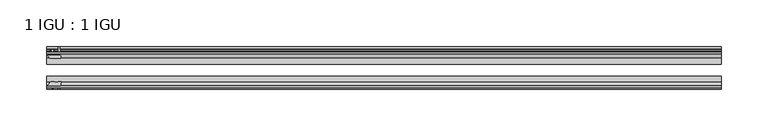
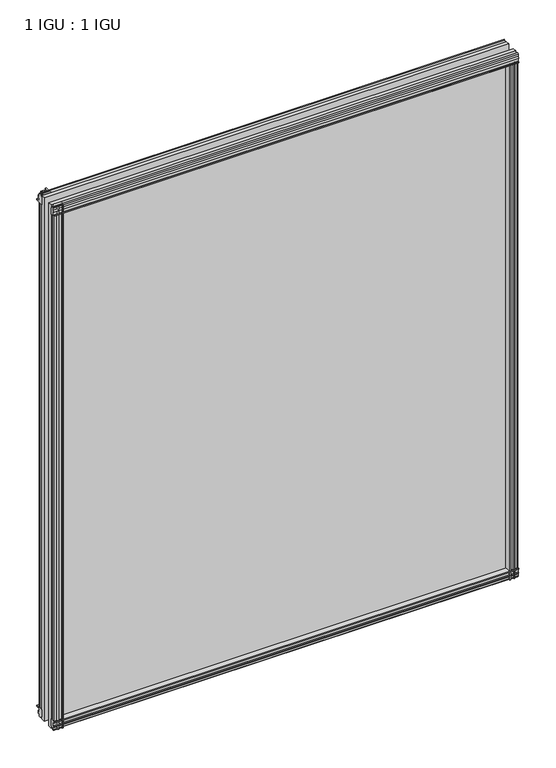
"""IFC4 building model written with IfcOpenShell, lengths in millimetres: plate geometry, 1 IGU : 1 IGU."""

from ifc_helpers import new_model, si_unit, point, frame, frame_2d, origin, place, context, project, spatial, polyline, circle_curve, trimmed, segment, composite_curve, outline, extrude, source, transform, mapped, element, save


def plate_1_igu_1_igu_87fe4c95(model_context):
    return source(origin(), model_context, "Body", "SweptSolid", [
        extrude(outline(polyline([(-24.9039062, 2.5763839), (-12.2039062, 1.5739665), (-12.2039062, 0.0), (-18.5539062, 0.0), (-18.5539062, -4.953), (-16.254502, -5.5691235), (-16.6301757, -4.1670901), (-15.7714677, -3.937), (-15.1249062, -6.35), (-15.7714677, -8.763), (-16.6301757, -8.5329099), (-16.254502, -7.1308765), (-18.5539062, -7.747), (-18.5539062, -12.7), (-20.5859062, -12.7), (-24.9039062, -9.1036931), (-24.9039062, 2.5763839)])), frame((-361.95, 0.0, 0.0), z_axis=(1.0, 0.0, 0.0), x_axis=(0.0, 1.0, 0.0)), (0.0, 0.0, 1.0), 725.5867187),
        extrude(outline(composite_curve([segment(polyline([(-58.2287402, 1.5687054), (-50.3039062, 3.0983599), (-50.3039062, -7.92383), (-54.4858806, -12.1058044)]), True, "CONTINUOUS"), segment(trimmed(circle_curve(frame_2d((-55.3839062, -11.2077788)), 1.27), [point((-54.4858806, -12.1058044))], [point((-56.6539062, -11.2077788))], False, "CARTESIAN"), True, "CONTINUOUS"), segment(polyline([(-56.6539062, -11.2077788), (-56.6539062, -8.0327788), (-58.1332022, -5.4488186), (-56.6539062, -5.1879788), (-56.6539062, 0.2222212), (-58.2287402, 0.0), (-58.2287402, 1.5687054)]), True, "CONTINUOUS")], self_intersect=False)), frame((-361.95, 0.0, 0.0), z_axis=(1.0, 0.0, 0.0), x_axis=(0.0, 1.0, 0.0)), (0.0, 0.0, 1.0), 725.5867187),
        extrude(outline(polyline([(-18.5539063, 845.956525), (-16.254502, 845.3404015), (-16.6301757, 846.7424349), (-15.7714677, 846.972525), (-15.1249063, 844.559525), (-15.7714677, 842.146525), (-16.6301757, 842.3766151), (-16.254502, 843.7786485), (-18.5539063, 843.162525), (-18.5539063, 838.209525), (-12.2039062, 838.209525), (-12.2039062, 836.6355584), (-24.9039063, 835.6331411), (-24.9039063, 847.3132181), (-20.5859063, 850.909525), (-18.5539063, 850.909525), (-18.5539063, 845.956525)])), frame((-361.95, 0.0, 0.0), z_axis=(1.0, 0.0, 0.0), x_axis=(0.0, 1.0, 0.0)), (0.0, 0.0, 1.0), 725.5867187),
        extrude(outline(composite_curve([segment(polyline([(-50.3039063, 846.133355), (-50.3039063, 835.1111651), (-58.2287402, 836.6408196), (-58.2287402, 838.209525), (-56.6539063, 837.9873038), (-56.6539063, 843.3975038), (-58.1332023, 843.6583436), (-56.6539063, 846.2423038), (-56.6539063, 849.4173038)]), True, "CONTINUOUS"), segment(trimmed(circle_curve(frame_2d((-55.3839063, 849.4173038)), 1.27), [point((-56.6539063, 849.4173038))], [point((-54.4858806, 850.3153294))], False, "CARTESIAN"), True, "CONTINUOUS"), segment(polyline([(-54.4858806, 850.3153294), (-50.3039063, 846.133355)]), True, "CONTINUOUS")], self_intersect=False)), frame((-361.95, 0.0, 0.0), z_axis=(1.0, 0.0, 0.0), x_axis=(0.0, 1.0, 0.0)), (0.0, 0.0, 1.0), 725.5867187),
        extrude(outline(composite_curve([segment(polyline([(349.2056747, -57.3876965), (347.8383588, -50.3039063), (358.8605488, -50.3039063), (363.0425232, -54.4858806)]), True, "CONTINUOUS"), segment(trimmed(circle_curve(frame_2d((362.1444975, -55.3839063)), 1.27), [point((363.0425232, -54.4858806))], [point((362.1444975, -56.6539063))], False, "CARTESIAN"), True, "CONTINUOUS"), segment(polyline([(362.1444975, -56.6539063), (358.9694975, -56.6539063), (356.3855373, -58.1332023), (356.1246975, -56.6539063), (350.7144975, -56.6539063), (350.9367187, -58.2287402), (349.972398, -58.2014026)]), True, "CONTINUOUS"), segment(trimmed(circle_curve(frame_2d((350.2064975, -57.2127402)), 1.016), [point((349.972398, -58.2014026))], [point((349.2056747, -57.3876965))], False, "CARTESIAN"), True, "CONTINUOUS")], self_intersect=False)), frame((0.0, 0.0, -12.7), z_axis=(0.0, 0.0, 1.0), x_axis=(1.0, 0.0, 0.0)), (0.0, 0.0, 1.0), 851.3064),
        extrude(outline(polyline([(355.8897187, -18.5539063), (356.5058423, -16.254502), (355.1038089, -16.6301757), (354.8737187, -15.7714677), (357.2867187, -15.1249063), (359.6997187, -15.7714677), (359.4696286, -16.6301757), (358.0675952, -16.254502), (358.6837187, -18.5539063), (363.6367187, -18.5539063), (363.6367187, -20.5859063), (360.0404118, -24.9039063), (348.3603348, -24.9039063), (349.3627522, -12.2039063), (350.9367187, -12.2039063), (350.9367187, -18.5539063), (355.8897187, -18.5539063)])), frame((0.0, 0.0, -12.7), z_axis=(0.0, 0.0, 1.0), x_axis=(1.0, 0.0, 0.0)), (0.0, 0.0, 1.0), 851.3064),
        extrude(outline(composite_curve([segment(polyline([(-357.2827788, -56.6539062), (-360.4577788, -56.6539062)]), True, "CONTINUOUS"), segment(trimmed(circle_curve(frame_2d((-360.4577788, -55.3839062)), 1.27), [point((-360.4577788, -56.6539062))], [point((-361.3558044, -54.4858806))], False, "CARTESIAN"), True, "CONTINUOUS"), segment(polyline([(-361.3558044, -54.4858806), (-357.17383, -50.3039062), (-353.5042845, -50.3039062)]), True, "CONTINUOUS"), segment(trimmed(circle_curve(frame_2d((-351.4407788, -46.3669062)), 4.445), [point((-353.5042845, -50.3039062))], [point((-349.377273, -50.3039062))], True, "CARTESIAN"), True, "CONTINUOUS"), segment(polyline([(-349.377273, -50.3039062), (-346.1516401, -50.3039062), (-347.6812946, -58.2287402), (-349.25, -58.2287402), (-349.0277788, -56.6539062), (-354.4379788, -56.6539062), (-354.6988186, -58.1332022), (-357.2827788, -56.6539062)]), True, "CONTINUOUS")], self_intersect=False)), frame((0.0, 0.0, -12.7), z_axis=(0.0, 0.0, 1.0), x_axis=(1.0, 0.0, 0.0)), (0.0, 0.0, 1.0), 863.609525),
        extrude(outline(polyline([(-346.6736161, -24.9039062), (-358.3536931, -24.9039062), (-361.95, -20.5859062), (-361.95, -18.5539062), (-356.997, -18.5539062), (-356.3808765, -16.254502), (-357.7829099, -16.6301757), (-358.013, -15.7714677), (-355.6, -15.1249062), (-353.187, -15.7714677), (-353.4170901, -16.6301757), (-354.8191235, -16.254502), (-354.203, -18.5539062), (-349.25, -18.5539062), (-349.25, -12.2039062), (-347.6760335, -12.2039062), (-346.6736161, -24.9039062)])), frame((0.0, 0.0, -12.7), z_axis=(0.0, 0.0, 1.0), x_axis=(1.0, 0.0, 0.0)), (0.0, 0.0, 1.0), 863.609525),
        extrude(outline(polyline([(363.6367187, -24.9039062), (363.6367187, -31.2031063), (-361.95, -31.2031063), (-361.95, -24.9039062), (363.6367187, -24.9039062)])), frame((0.0, 0.0, -12.7), z_axis=(0.0, 0.0, 1.0), x_axis=(1.0, 0.0, 0.0)), (0.0, 0.0, 1.0), 863.609525),
        extrude(outline(polyline([(-361.95, -44.0047063), (363.6367187, -44.0047063), (363.6367187, -50.3039062), (-361.95, -50.3039062), (-361.95, -44.0047063)])), frame((0.0, 0.0, -12.7), z_axis=(0.0, 0.0, 1.0), x_axis=(1.0, 0.0, 0.0)), (0.0, 0.0, 1.0), 863.609525),
    ])


if __name__ == "__main__":
    model = new_model("IFC4")
    model_context = context("Model", 3, world=origin())
    ifc_project = project(units=[si_unit("LENGTHUNIT", "METRE", prefix="MILLI")], contexts=[model_context])
    site = spatial("IfcSite", under=ifc_project)
    building = spatial("IfcBuilding", under=site)
    placement = place(None, origin())
    plate_1_igu_1_igu_shape = plate_1_igu_1_igu_87fe4c95(model_context)
    element("IfcPlate", 1, ObjectType="1 IGU : 1 IGU", at=placement, inside=building, context=model_context, shape_type="MappedRepresentation", body=[
        mapped(plate_1_igu_1_igu_shape, transform((0.0, 0.0, 0.0), x_axis=(1.0, 0.0, 0.0), y_axis=(0.0, 1.0, 0.0), z_axis=(0.0, 0.0, 1.0))),
    ])
    save(model, "model.ifc")
